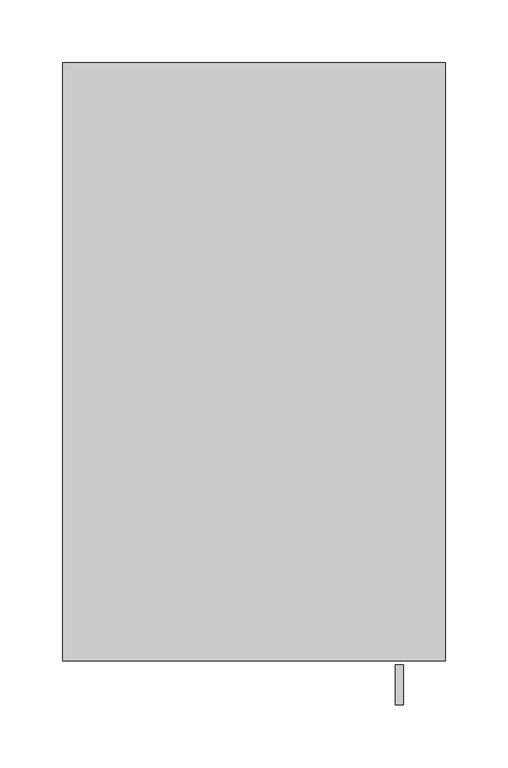
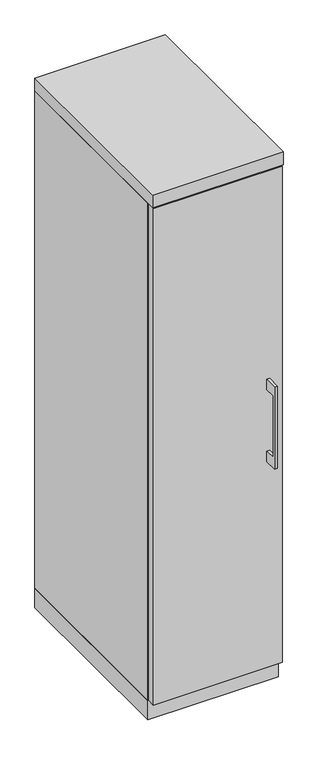
"""IFC4 building model written with IfcOpenShell, lengths in millimetres: furniture geometry."""

from ifc_helpers import new_model, si_unit, frame, origin, origin_with_axes, place, context, project, spatial, polyline, outline, extrude, source, transform, mapped, element, save


def furniture_656e7052(model_context):
    return source(origin(), model_context, "Body", "SweptSolid", [
        extrude(outline(polyline([(-479.425, 736.6), (-504.8249758, 736.6), (-504.8249758, 584.2), (-479.425, 584.2), (-479.425, 558.8), (-511.1749879, 558.8), (-511.1749879, 762.0), (-479.425, 762.0), (-479.425, 736.6)])), frame((112.7125121, 0.0, 0.0), z_axis=(1.0, 0.0, 0.0), x_axis=(0.0, 1.0, 0.0)), (0.0, 0.0, 1.0), 6.3499758),
        extrude(outline(polyline([(150.8125, -476.25), (-150.8125, -476.25), (-150.8125, -457.2), (150.8125, -457.2), (150.8125, -476.25)])), frame((0.0, 0.0, 47.625), z_axis=(0.0, 0.0, 1.0), x_axis=(1.0, 0.0, 0.0)), (0.0, 0.0, 1.0), 1225.55),
        extrude(outline(polyline([(152.4, 0.0), (152.4, -457.2), (-152.4, -457.2), (-152.4, 0.0), (152.4, 0.0)])), origin_with_axes(), (0.0, 0.0, 1.0), 47.625),
        extrude(outline(polyline([(152.4, 0.0), (152.4, -476.25), (-152.4, -476.25), (-152.4, 0.0), (152.4, 0.0)])), frame((0.0, 0.0, 1276.35), z_axis=(0.0, 0.0, 1.0), x_axis=(1.0, 0.0, 0.0)), (0.0, 0.0, 1.0), 31.75),
        extrude(outline(polyline([(152.4, 0.0), (152.4, -457.2), (133.35, -457.2), (133.35, -19.05), (-133.35, -19.05), (-133.35, -457.2), (-152.4, -457.2), (-152.4, 0.0), (152.4, 0.0)])), frame((0.0, 0.0, 47.625), z_axis=(0.0, 0.0, 1.0), x_axis=(1.0, 0.0, 0.0)), (0.0, 0.0, 1.0), 1228.725),
    ])


if __name__ == "__main__":
    model = new_model("IFC4")
    model_context = context("Model", 3, world=origin())
    ifc_project = project(units=[si_unit("LENGTHUNIT", "METRE", prefix="MILLI")], contexts=[model_context])
    site = spatial("IfcSite", under=ifc_project)
    building = spatial("IfcBuilding", under=site)
    placement = place(None, origin())
    furniture_shape = furniture_656e7052(model_context)
    element("IfcFurniture", 1, at=placement, inside=building, context=model_context, shape_type="MappedRepresentation", body=[
        mapped(furniture_shape, transform((0.0, 0.0, 0.0), x_axis=(1.0, 0.0, 0.0), y_axis=(0.0, 1.0, 0.0), z_axis=(0.0, 0.0, 1.0))),
    ])
    save(model, "model.ifc")
